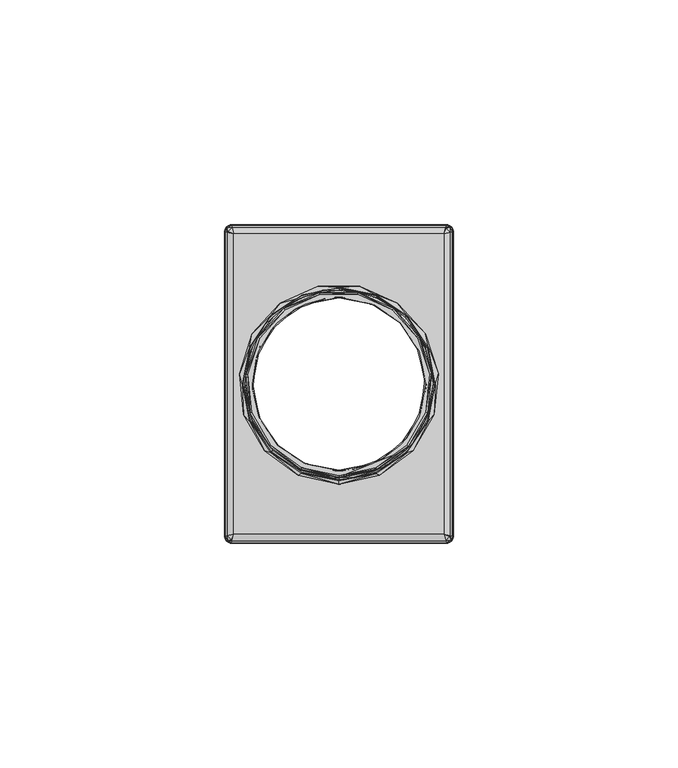
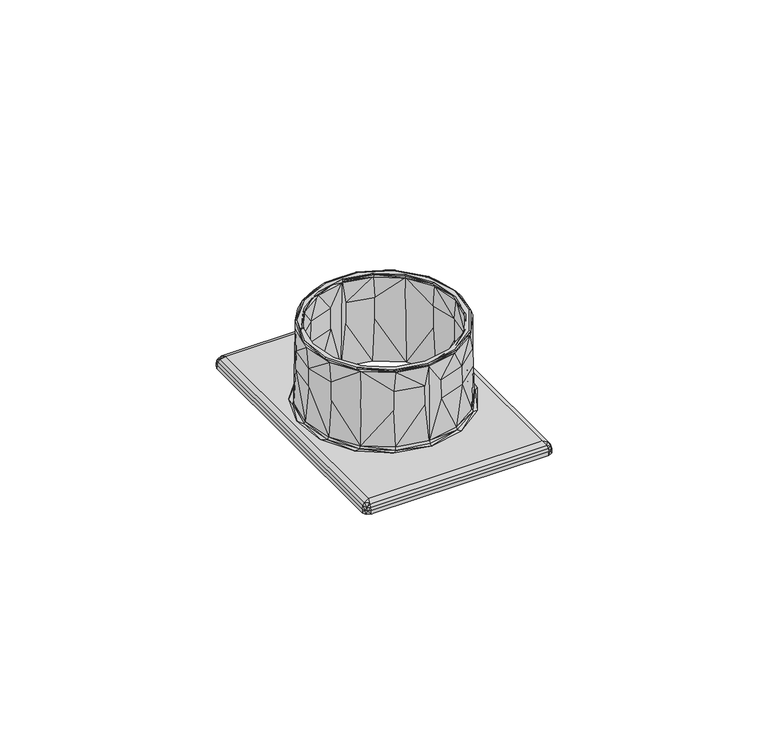
"""IFC4 building model written with IfcOpenShell, lengths in millimetres: furniture geometry."""

from ifc_helpers import new_model, si_unit, origin, place, context, project, spatial, triangles, source, transform, mapped, element, save


def furniture_415d3cbd(model_context):
    return source(origin(), model_context, "Body", "Tessellation", [
        triangles([(3385.8408351, 3217.050101, 765.1670305), (3385.8408351, 3217.0411626, 765.5000044), (3388.9578323, 3217.3061174, 765.0710335), (3393.2148399, 3218.5071342, 765.5000044), (3395.5578473, 3219.6821351, 765.0710335), (3399.4668384, 3222.6831147, 765.5000044), (3400.8688422, 3224.2641229, 765.0710335), (3403.646834, 3228.9330966, 765.5000044), (3404.188843, 3230.4431062, 765.0710335), (3405.1168387, 3236.3071378, 765.5000044), (3405.0748355, 3237.4021291, 765.0710335), (3403.6538466, 3243.6831411, 765.5000044), (3403.4118374, 3244.2161027, 765.0710335), (3399.4808455, 3249.9381372, 765.5000044), (3399.4188398, 3249.9841373, 765.0710335), (3393.6258432, 3253.9391284, 765.0710335), (3399.4588447, 3249.9231671, 764.4999928), (3393.2188367, 3254.097113, 764.4999928), (3386.8008419, 3255.558143, 765.0710335), (3385.8408351, 3255.5761651, 764.8329666), (3385.8408351, 3255.5841588, 765.1670305), (3385.8408351, 3255.5930972, 765.5000044), (3393.2308455, 3254.1201493, 765.5000044), (3385.8408351, 3255.567154, 764.4999928), (3403.6268497, 3243.6801616, 764.4999928), (3405.090841, 3236.3171662, 764.4999928), (3403.6268497, 3228.9540982, 764.4999928), (3399.4588447, 3222.7111653, 764.4999928), (3393.2188367, 3218.5371469, 764.4999928), (3385.8408351, 3217.0671058, 764.4999928), (3385.8408351, 3217.0581674, 764.8329666), (3382.7238378, 3255.3281425, 765.0710335), (3378.4668484, 3254.1271257, 765.5000044), (3376.123841, 3252.9521247, 765.0710335), (3372.2148317, 3249.9511451, 765.5000044), (3370.8128461, 3248.3701369, 765.0710335), (3368.0348362, 3243.7011632, 765.5000044), (3367.4928453, 3242.1911536, 765.0710335), (3366.5648496, 3236.327122, 765.5000044), (3366.6068347, 3235.2321307, 765.0710335), (3368.0278417, 3228.9511188, 765.5000044), (3368.2698327, 3228.4181571, 765.0710335), (3372.2008428, 3222.6961227, 765.5000044), (3372.2628484, 3222.6501226, 765.0710335), (3378.0558451, 3218.6951314, 765.0710335), (3372.2228436, 3222.7111653, 764.4999928), (3378.4628334, 3218.5371469, 764.4999928), (3384.8808464, 3217.0761169, 765.0710335), (3378.4508428, 3218.5141105, 765.5000044), (3368.0548386, 3228.9540982, 764.4999928), (3366.5908473, 3236.3171662, 764.4999928), (3368.0548386, 3243.6801616, 764.4999928), (3372.2228436, 3249.9231671, 764.4999928), (3378.4628334, 3254.097113, 764.4999928), (3411.3408411, 3270.3181432, 740.0000347), (3411.312845, 3270.2901652, 741.0520054), (3411.3408411, 3202.3161166, 740.0000347), (3411.312845, 3202.3441672, 741.0520054), (3377.5368361, 3217.6661245, 765.5000044), (3385.7678381, 3215.5481578, 765.3540104), (3385.8408351, 3215.9011159, 765.5000044), (3394.2548382, 3217.3281364, 765.3540104), (3394.144834, 3217.6661245, 765.5000044), (3401.250832, 3222.3921441, 765.3540104), (3401.0128378, 3222.6561542, 765.5000044), (3405.582835, 3229.8641444, 765.3540104), (3405.2578366, 3230.0081037, 765.5000044), (3406.5008385, 3238.4511203, 765.3540104), (3406.1448465, 3238.4511203, 765.5000044), (3403.8458407, 3246.670168, 765.3540104), (3403.5218416, 3246.5251187, 765.5000044), (3398.0788417, 3253.0981187, 765.3540104), (3397.8408475, 3252.8341087, 765.5000044), (3390.1948389, 3256.6251563, 765.3540104), (3390.0858339, 3256.2871682, 765.5000044), (3381.5588472, 3256.6401263, 765.3540104), (3381.5958362, 3256.2871682, 765.5000044), (3373.6628357, 3253.1411393, 765.3540104), (3373.8408408, 3252.8341087, 765.5000044), (3367.8728366, 3246.7341176, 765.3540104), (3368.1598467, 3246.5251187, 765.5000044), (3365.1888435, 3238.5250983, 765.3540104), (3365.5368418, 3238.4511203, 765.5000044), (3366.0768343, 3229.9341256, 765.3540104), (3366.4238335, 3230.0081037, 765.5000044), (3370.3818404, 3222.4471553, 765.3540104), (3370.6688324, 3222.6561542, 765.5000044), (3377.3598484, 3217.3581491, 765.3540104), (3377.836836, 3216.9931277, 765.0089733), (3385.8408351, 3215.4011464, 765.0089733), (3393.8448341, 3216.9931277, 765.0089733), (3400.630848, 3221.5271533, 765.0089733), (3405.1648372, 3228.313149, 765.0089733), (3406.7568367, 3236.3171662, 765.0089733), (3405.1648372, 3244.3211108, 765.0089733), (3400.630848, 3251.1071065, 765.0089733), (3393.8448341, 3255.6411321, 765.0089733), (3385.8408351, 3257.2331134, 765.0089733), (3377.836836, 3255.6411321, 765.0089733), (3371.0508403, 3251.1071065, 765.0089733), (3366.5168329, 3244.3211108, 765.0089733), (3364.9248334, 3236.3171662, 765.0089733), (3366.5168329, 3228.313149, 765.0089733), (3371.0508403, 3221.5271533, 765.0089733), (3385.8408351, 3257.4160964, 754.4960249), (3385.8408351, 3257.6000968, 743.9830038), (3382.4278348, 3257.1381337, 754.4960249), (3377.695838, 3255.9801376, 743.9830038), (3375.1988429, 3254.5361123, 754.4960249), (3370.7918445, 3251.3661023, 743.9830038), (3369.381847, 3249.5181047, 754.4960249), (3366.1778456, 3244.4621633, 743.9830038), (3365.7458407, 3242.7501311, 754.4960249), (3364.5578318, 3236.3171662, 743.9830038), (3364.7748426, 3235.1291574, 754.4960249), (3366.1778456, 3228.1720966, 743.9830038), (3366.5968425, 3227.6661681, 754.4960249), (3370.7918445, 3221.2681575, 743.9830038), (3370.9698496, 3221.3491119, 754.4960249), (3377.3148475, 3217.0171088, 754.4960249), (3377.3518365, 3217.1011153, 759.7520267), (3371.0348347, 3221.4141515, 759.7520267), (3384.7948415, 3215.3351621, 759.7520267), (3385.8408351, 3215.2181634, 754.4960249), (3384.7898454, 3215.2441066, 754.4960249), (3385.8408351, 3215.034163, 743.9830038), (3377.695838, 3216.6541223, 743.9830038), (3366.680849, 3227.7031572, 759.7520267), (3364.8668428, 3235.1340989, 759.7520267), (3365.8338441, 3242.7221532, 759.7520267), (3369.4528455, 3249.4611314, 759.7520267), (3375.244843, 3254.4571201, 759.7520267), (3382.4418419, 3257.0480956, 759.7520267), (3389.2538353, 3215.4961261, 754.4960249), (3393.9858321, 3216.6541223, 743.9830038), (3396.4828454, 3218.0981475, 754.4960249), (3400.8898438, 3221.2681575, 743.9830038), (3402.2998413, 3223.1161552, 754.4960249), (3405.5038427, 3228.1720966, 743.9830038), (3405.9358476, 3229.8841287, 754.4960249), (3407.1238383, 3236.3171662, 743.9830038), (3406.9068457, 3237.5051025, 754.4960249), (3405.5038427, 3244.4621633, 743.9830038), (3405.0848457, 3244.9681644, 754.4960249), (3400.8898438, 3251.3661023, 743.9830038), (3400.7118387, 3251.285148, 754.4960249), (3394.3668408, 3255.617151, 754.4960249), (3394.3298336, 3255.5331445, 759.7520267), (3400.6468354, 3251.2201083, 759.7520267), (3386.8868468, 3257.2990977, 759.7520267), (3386.8918429, 3257.3901532, 754.4960249), (3393.9858321, 3255.9801376, 743.9830038), (3405.0008392, 3244.9311027, 759.7520267), (3406.8148455, 3237.5001609, 759.7520267), (3405.8478442, 3229.9121066, 759.7520267), (3402.2288427, 3223.1731284, 759.7520267), (3396.4368453, 3218.1771398, 759.7520267), (3389.2398463, 3215.5861642, 759.7520267), (3394.9038356, 3215.9611413, 742.9999969), (3394.0628441, 3216.3691106, 743.2930023), (3385.8408351, 3214.0341514, 742.9999969), (3385.8408351, 3214.7411576, 743.2930023), (3377.549844, 3216.3981059, 743.2930023), (3401.0708466, 3221.0341602, 743.2930023), (3402.3998352, 3221.4071025, 742.9999969), (3405.7598409, 3228.0261026, 743.2930023), (3407.0328373, 3229.431104, 742.9999969), (3407.4168437, 3236.2801046, 743.2930023), (3408.001837, 3238.6461665, 742.9999969), (3405.7888362, 3244.5391208, 743.2930023), (3405.1378403, 3247.4581287, 742.9999969), (3401.1238412, 3251.5471233, 743.2930023), (3398.9378372, 3254.3441182, 742.9999969), (3394.1318442, 3256.2361539, 743.2930023), (3390.4738372, 3258.1131469, 742.9999969), (3385.9168479, 3257.8921575, 743.2930023), (3381.207833, 3258.1131469, 742.9999969), (3372.7438329, 3254.3441182, 742.9999969), (3366.543848, 3247.4581287, 742.9999969), (3370.6108417, 3251.6000997, 743.2930023), (3377.6188442, 3256.2651492, 743.2930023), (3365.9218474, 3244.6081573, 743.2930023), (3363.6798331, 3238.6461665, 742.9999969), (3364.2648446, 3236.3541553, 743.2930023), (3364.6488328, 3229.431104, 742.9999969), (3365.8928339, 3228.095139, 743.2930023), (3369.2818349, 3221.4071025, 742.9999969), (3370.5578471, 3221.0871366, 743.2930023), (3376.7778345, 3215.9611413, 742.9999969), (3411.1118398, 3271.0391021, 741.0669754), (3411.1418343, 3270.2471446, 741.8109707), (3410.6768373, 3271.27012, 741.8289928), (3410.6988381, 3270.1361049, 742.4429815), (3409.8268346, 3270.9550956, 742.6080151), (3409.3138391, 3269.7901231, 742.9999969), (3409.659839, 3271.1751403, 742.4429815), (3409.7708424, 3271.6181365, 741.8109707), (3410.5628362, 3271.5881238, 741.0669754), (3409.8138449, 3271.789129, 741.0520054), (3362.3678492, 3202.8441367, 742.9999969), (3362.0218493, 3201.4591195, 742.4429815), (3409.3138391, 3202.8441367, 742.9999969), (3409.659839, 3201.4591195, 742.4429815), (3409.7708424, 3201.0161233, 741.8109707), (3361.9108459, 3201.0161233, 741.8109707), (3409.8138449, 3200.8451308, 741.0520054), (3361.8678434, 3200.8451308, 741.0520054), (3362.3678492, 3269.7901231, 742.9999969), (3360.3688433, 3202.3441672, 741.0520054), (3360.5698485, 3201.5951577, 741.0669754), (3360.5398358, 3202.3871152, 741.8109707), (3361.0048329, 3201.3641399, 741.8289928), (3360.982832, 3202.4981549, 742.4429815), (3361.8548355, 3201.6791642, 742.6080151), (3361.1188339, 3201.046136, 741.0669754), (3393.3148338, 3218.306129, 764.4999928), (3385.8408351, 3216.817121, 764.4999928), (3378.3668363, 3218.306129, 764.4999928), (3372.0458377, 3222.5351586, 764.4999928), (3367.8238389, 3228.8591186, 764.4999928), (3366.3408444, 3236.3171662, 764.4999928), (3367.8238389, 3243.7751413, 764.4999928), (3372.0458377, 3250.0991012, 764.4999928), (3378.3668363, 3254.3281308, 764.4999928), (3385.8408351, 3255.8171388, 764.4999928), (3393.3148338, 3254.3281308, 764.4999928), (3399.6358324, 3250.0991012, 764.4999928), (3403.8578494, 3243.7751413, 764.4999928), (3405.3408439, 3236.3171662, 764.4999928), (3403.8578494, 3228.8591186, 764.4999928), (3399.6358324, 3222.5351586, 764.4999928), (3378.2038376, 3254.7231649, 740.0000347), (3361.8398473, 3271.8171069, 740.0000347), (3385.8408351, 3256.245165, 740.0000347), (3409.841841, 3271.8171069, 740.0000347), (3393.4778326, 3254.7231649, 740.0000347), (3399.9378489, 3250.402135, 740.0000347), (3404.2528471, 3243.9391574, 740.0000347), (3405.7688338, 3236.3171662, 740.0000347), (3404.2528471, 3228.6951024, 740.0000347), (3399.9378489, 3222.2321248, 740.0000347), (3409.841841, 3200.8171529, 740.0000347), (3393.4778326, 3217.9111676, 740.0000347), (3385.8408351, 3216.3891675, 740.0000347), (3361.8398473, 3200.8171529, 740.0000347), (3378.2038376, 3217.9111676, 740.0000347), (3371.7438394, 3222.2321248, 740.0000347), (3360.3408472, 3202.3161166, 740.0000347), (3367.4288412, 3228.6951024, 740.0000347), (3365.9128363, 3236.3171662, 740.0000347), (3360.3408472, 3270.3181432, 740.0000347), (3367.4288412, 3243.9391574, 740.0000347), (3371.7438394, 3250.402135, 740.0000347), (3410.9018417, 3201.2561523, 740.0000347), (3360.7798466, 3201.2561523, 740.0000347), (3360.7798466, 3271.3781076, 740.0000347), (3410.9018417, 3271.3781076, 740.0000347), (3411.1418343, 3202.3871152, 741.8109707), (3410.6988381, 3202.4981549, 742.4429815), (3410.5628362, 3201.046136, 741.0669754), (3410.7938359, 3201.4811385, 741.8289928), (3410.4788479, 3202.3311593, 742.6080151), (3411.1118398, 3201.5951577, 741.0669754), (3360.3688433, 3270.2901652, 741.0520054), (3360.5698485, 3271.0391021, 741.0669754), (3361.1188339, 3271.5881238, 741.0669754), (3361.8678434, 3271.789129, 741.0520054), (3361.9108459, 3271.6181365, 741.8109707), (3360.8878342, 3271.1531213, 741.8289928), (3362.0218493, 3271.1751403, 742.4429815), (3361.2028404, 3270.3031005, 742.6080151), (3360.982832, 3270.1361049, 742.4429815), (3360.5398358, 3270.2471446, 741.8109707), (3385.8408351, 3216.6031079, 752.2500137), (3389.0128435, 3216.9681293, 758.3750032), (3395.729839, 3219.3871677, 758.3750032), (3401.1358317, 3224.0501098, 758.3750032), (3404.5138414, 3230.3391154, 758.3750032), (3405.4168386, 3237.421096, 758.3750032), (3403.723846, 3244.3561378, 758.3750032), (3399.6598317, 3250.2261283, 758.3750032), (3393.7638435, 3254.252118, 758.3750032), (3393.8068459, 3254.3501498, 752.2500137), (3399.7348453, 3250.3021411, 752.2500137), (3386.8228427, 3256.0061534, 752.2500137), (3385.8408351, 3256.0311519, 752.2500137), (3386.8178466, 3255.9001279, 758.3750032), (3403.8208422, 3244.4001031, 752.2500137), (3405.5238451, 3237.4271276, 752.2500137), (3404.6158337, 3230.3061233, 752.2500137), (3401.2198382, 3223.9831081, 752.2500137), (3395.7838328, 3219.2941501, 752.2500137), (3389.0298483, 3216.8631211, 752.2500137), (3382.6688448, 3255.6661306, 758.3750032), (3375.9518493, 3253.2471648, 758.3750032), (3370.5458384, 3248.58415, 758.3750032), (3367.1678469, 3242.2951444, 758.3750032), (3366.2648497, 3235.2131639, 758.3750032), (3367.9578423, 3228.2781221, 758.3750032), (3372.0218384, 3222.4081315, 758.3750032), (3377.9178448, 3218.3821418, 758.3750032), (3377.8748424, 3218.28411, 752.2500137), (3371.946843, 3222.3321187, 752.2500137), (3384.8588456, 3216.6281064, 752.2500137), (3384.8638416, 3216.7341319, 758.3750032), (3367.8608461, 3228.2341567, 752.2500137), (3366.1578432, 3235.2071323, 752.2500137), (3367.0658364, 3242.3281366, 752.2500137), (3370.4618319, 3248.6511518, 752.2500137), (3375.8978373, 3253.3401097, 752.2500137), (3382.65184, 3255.7711387, 752.2500137)], [[3, 1, 2], [4, 3, 2], [3, 4, 5], [6, 5, 4], [5, 6, 7], [8, 7, 6], [7, 8, 9], [10, 9, 8], [9, 10, 11], [12, 11, 10], [11, 12, 13], [14, 13, 12], [13, 14, 15], [16, 15, 14], [17, 15, 16], [17, 16, 18], [19, 18, 16], [18, 19, 20], [20, 19, 21], [22, 21, 19], [22, 19, 23], [16, 23, 19], [23, 16, 14], [20, 24, 18], [15, 17, 13], [25, 13, 17], [13, 25, 11], [26, 11, 25], [11, 26, 9], [27, 9, 26], [9, 27, 7], [28, 7, 27], [7, 28, 5], [29, 5, 28], [5, 29, 3], [30, 3, 29], [3, 30, 31], [31, 1, 3], [32, 21, 22], [33, 32, 22], [32, 33, 34], [35, 34, 33], [34, 35, 36], [37, 36, 35], [36, 37, 38], [39, 38, 37], [38, 39, 40], [41, 40, 39], [40, 41, 42], [43, 42, 41], [42, 43, 44], [45, 44, 43], [46, 44, 45], [46, 45, 47], [48, 47, 45], [47, 48, 31], [31, 48, 1], [2, 1, 48], [2, 48, 49], [45, 49, 48], [49, 45, 43], [31, 30, 47], [44, 46, 42], [50, 42, 46], [42, 50, 40], [51, 40, 50], [40, 51, 38], [52, 38, 51], [38, 52, 36], [53, 36, 52], [36, 53, 34], [54, 34, 53], [34, 54, 32], [24, 32, 54], [32, 24, 20], [20, 21, 32], [55, 56, 57], [57, 56, 58], [59, 60, 61], [62, 61, 60], [61, 62, 63], [64, 63, 62], [63, 64, 65], [66, 65, 64], [65, 66, 67], [68, 67, 66], [67, 68, 69], [70, 69, 68], [69, 70, 71], [72, 71, 70], [71, 72, 73], [74, 73, 72], [73, 74, 75], [76, 75, 74], [75, 76, 77], [78, 77, 76], [77, 78, 79], [80, 79, 78], [79, 80, 81], [82, 81, 80], [81, 82, 83], [84, 83, 82], [83, 84, 85], [86, 85, 84], [85, 86, 87], [88, 87, 86], [87, 88, 59], [60, 59, 88], [89, 90, 60], [60, 90, 91], [60, 91, 92], [93, 64, 92], [62, 92, 64], [92, 62, 60], [64, 93, 66], [94, 66, 93], [66, 94, 68], [95, 68, 94], [68, 95, 70], [96, 70, 95], [70, 96, 72], [97, 72, 96], [72, 97, 74], [98, 74, 97], [74, 98, 76], [99, 76, 98], [76, 99, 78], [100, 78, 99], [78, 100, 80], [101, 80, 100], [80, 101, 82], [102, 82, 101], [82, 102, 84], [103, 84, 102], [84, 103, 86], [104, 86, 103], [86, 104, 88], [89, 88, 104], [88, 89, 60], [107, 105, 106], [107, 106, 108], [107, 108, 109], [109, 108, 110], [109, 110, 111], [111, 110, 112], [111, 112, 113], [113, 112, 114], [113, 114, 115], [115, 114, 116], [115, 116, 117], [117, 116, 118], [117, 118, 119], [120, 119, 118], [119, 120, 121], [119, 121, 122], [104, 122, 121], [104, 121, 89], [89, 121, 123], [89, 123, 90], [90, 123, 124], [124, 123, 125], [126, 124, 125], [126, 125, 127], [127, 125, 120], [127, 120, 118], [122, 104, 128], [128, 104, 103], [128, 103, 129], [129, 103, 102], [129, 102, 130], [130, 102, 101], [130, 101, 131], [131, 101, 100], [131, 100, 132], [132, 100, 99], [132, 99, 133], [133, 99, 98], [105, 133, 98], [133, 105, 107], [132, 133, 107], [132, 107, 109], [121, 120, 125], [121, 125, 123], [117, 119, 122], [117, 122, 128], [115, 117, 128], [115, 128, 129], [113, 115, 129], [113, 129, 130], [132, 109, 111], [132, 111, 131], [131, 111, 113], [131, 113, 130], [134, 124, 126], [134, 126, 135], [134, 135, 136], [136, 135, 137], [136, 137, 138], [138, 137, 139], [138, 139, 140], [140, 139, 141], [140, 141, 142], [142, 141, 143], [142, 143, 144], [144, 143, 145], [144, 145, 146], [147, 146, 145], [146, 147, 148], [146, 148, 149], [96, 149, 148], [96, 148, 97], [97, 148, 150], [97, 150, 98], [98, 150, 105], [105, 150, 151], [106, 105, 151], [106, 151, 152], [152, 151, 147], [152, 147, 145], [149, 96, 153], [153, 96, 95], [153, 95, 154], [154, 95, 94], [154, 94, 155], [155, 94, 93], [155, 93, 156], [156, 93, 92], [156, 92, 157], [157, 92, 91], [157, 91, 158], [158, 91, 90], [124, 158, 90], [158, 124, 134], [157, 158, 134], [157, 134, 136], [148, 147, 151], [148, 151, 150], [144, 146, 149], [144, 149, 153], [142, 144, 153], [142, 153, 154], [140, 142, 154], [140, 154, 155], [157, 136, 138], [157, 138, 156], [156, 138, 140], [156, 140, 155], [23, 75, 22], [77, 22, 75], [22, 77, 33], [79, 33, 77], [33, 79, 35], [81, 35, 79], [35, 81, 37], [83, 37, 81], [37, 83, 39], [85, 39, 83], [39, 85, 41], [87, 41, 85], [41, 87, 43], [59, 43, 87], [43, 59, 49], [61, 49, 59], [49, 61, 2], [4, 2, 61], [63, 4, 61], [4, 63, 6], [65, 6, 63], [6, 65, 8], [67, 8, 65], [8, 67, 10], [69, 10, 67], [10, 69, 12], [71, 12, 69], [12, 71, 14], [73, 14, 71], [14, 73, 23], [75, 23, 73], [159, 160, 161], [161, 160, 162], [161, 162, 163], [163, 162, 127], [163, 127, 118], [160, 159, 164], [165, 164, 159], [164, 165, 166], [167, 166, 165], [166, 167, 168], [169, 168, 167], [168, 169, 170], [171, 170, 169], [170, 171, 172], [173, 172, 171], [172, 173, 174], [175, 174, 173], [174, 175, 176], [177, 176, 175], [176, 177, 178], [179, 180, 178], [181, 178, 180], [178, 181, 176], [176, 181, 106], [176, 106, 152], [180, 179, 182], [183, 182, 179], [182, 183, 184], [185, 184, 183], [184, 185, 186], [187, 186, 185], [186, 187, 188], [189, 188, 187], [188, 189, 163], [161, 163, 189], [127, 162, 126], [126, 162, 160], [126, 160, 135], [164, 135, 160], [135, 164, 137], [166, 137, 164], [137, 166, 139], [168, 139, 166], [139, 168, 141], [170, 141, 168], [141, 170, 143], [172, 143, 170], [143, 172, 145], [174, 145, 172], [145, 174, 152], [176, 152, 174], [163, 118, 188], [188, 118, 116], [188, 116, 186], [186, 116, 114], [186, 114, 184], [184, 114, 112], [184, 112, 182], [182, 112, 110], [182, 110, 180], [180, 110, 108], [180, 108, 181], [181, 108, 106], [56, 190, 191], [191, 190, 192], [191, 192, 193], [193, 192, 194], [193, 194, 195], [195, 194, 196], [196, 194, 192], [196, 192, 197], [197, 192, 198], [197, 198, 199], [190, 198, 192], [202, 200, 201], [203, 202, 201], [204, 203, 201], [204, 201, 205], [206, 204, 205], [206, 205, 207], [200, 183, 208], [208, 183, 179], [208, 179, 178], [202, 161, 200], [200, 161, 189], [200, 189, 187], [195, 169, 202], [202, 169, 167], [202, 167, 165], [208, 175, 195], [195, 175, 173], [195, 173, 171], [200, 187, 185], [200, 185, 183], [208, 178, 177], [208, 177, 175], [195, 171, 169], [165, 159, 202], [202, 159, 161], [209, 210, 211], [211, 210, 212], [211, 212, 213], [213, 212, 214], [213, 214, 200], [200, 214, 201], [201, 214, 212], [201, 212, 205], [205, 212, 215], [205, 215, 207], [210, 215, 212], [216, 217, 30], [218, 30, 217], [30, 218, 47], [219, 47, 218], [47, 219, 46], [220, 46, 219], [46, 220, 50], [221, 50, 220], [50, 221, 51], [52, 51, 221], [222, 52, 221], [53, 52, 222], [223, 53, 222], [54, 53, 223], [224, 54, 223], [24, 54, 224], [225, 24, 224], [226, 24, 225], [24, 226, 18], [227, 18, 226], [18, 227, 17], [228, 17, 227], [17, 228, 25], [229, 25, 228], [25, 229, 26], [27, 26, 229], [230, 27, 229], [28, 27, 230], [231, 28, 230], [29, 28, 231], [216, 29, 231], [30, 29, 216], [234, 232, 233], [235, 234, 233], [234, 235, 236], [236, 235, 237], [237, 235, 55], [238, 237, 55], [239, 238, 55], [57, 239, 55], [239, 57, 240], [240, 57, 241], [241, 57, 242], [241, 242, 243], [244, 243, 242], [245, 244, 242], [244, 245, 246], [246, 245, 247], [247, 245, 248], [249, 247, 248], [250, 249, 248], [251, 250, 248], [250, 251, 252], [252, 251, 253], [253, 251, 233], [253, 233, 232], [57, 254, 242], [245, 255, 248], [251, 256, 233], [235, 257, 55], [56, 191, 58], [58, 191, 258], [258, 191, 259], [259, 191, 193], [259, 193, 195], [195, 202, 259], [206, 260, 204], [204, 260, 261], [204, 261, 203], [203, 261, 262], [203, 262, 202], [202, 262, 259], [259, 262, 261], [259, 261, 258], [258, 261, 263], [258, 263, 58], [260, 263, 261], [251, 264, 265], [251, 265, 256], [256, 265, 266], [256, 266, 233], [233, 266, 267], [267, 266, 268], [268, 266, 269], [268, 269, 270], [270, 269, 271], [270, 271, 208], [208, 271, 272], [272, 271, 269], [272, 269, 273], [273, 269, 265], [273, 265, 264], [266, 265, 269], [199, 267, 197], [197, 267, 268], [197, 268, 196], [196, 268, 270], [196, 270, 208], [208, 195, 196], [233, 267, 199], [233, 199, 235], [235, 199, 198], [235, 198, 257], [257, 198, 190], [257, 190, 55], [55, 190, 56], [57, 58, 263], [57, 263, 254], [254, 263, 260], [254, 260, 242], [242, 260, 206], [206, 207, 245], [242, 206, 245], [264, 209, 273], [273, 209, 211], [273, 211, 272], [272, 211, 213], [272, 213, 200], [200, 208, 272], [248, 209, 264], [248, 264, 251], [245, 207, 215], [245, 215, 255], [255, 215, 210], [255, 210, 248], [248, 210, 209], [274, 217, 275], [275, 217, 216], [275, 216, 276], [276, 216, 231], [276, 231, 277], [277, 231, 230], [277, 230, 278], [278, 230, 229], [278, 229, 279], [279, 229, 228], [279, 228, 280], [280, 228, 227], [280, 227, 281], [282, 281, 227], [281, 282, 283], [281, 283, 284], [237, 284, 283], [237, 283, 236], [236, 283, 285], [236, 285, 234], [234, 285, 286], [286, 285, 287], [286, 287, 225], [225, 287, 226], [226, 287, 282], [226, 282, 227], [284, 237, 288], [288, 237, 238], [288, 238, 289], [289, 238, 239], [289, 239, 290], [290, 239, 240], [290, 240, 291], [291, 240, 241], [291, 241, 292], [292, 241, 243], [292, 243, 293], [293, 243, 244], [293, 244, 274], [293, 274, 275], [282, 287, 285], [282, 285, 283], [280, 281, 284], [280, 284, 288], [279, 280, 288], [279, 288, 289], [278, 279, 289], [278, 289, 290], [277, 278, 290], [277, 290, 291], [293, 275, 276], [293, 276, 292], [292, 276, 277], [292, 277, 291], [286, 225, 294], [294, 225, 224], [294, 224, 295], [295, 224, 223], [295, 223, 296], [296, 223, 222], [296, 222, 297], [297, 222, 221], [297, 221, 298], [298, 221, 220], [298, 220, 299], [299, 220, 219], [299, 219, 300], [301, 300, 219], [300, 301, 302], [300, 302, 303], [247, 303, 302], [247, 302, 246], [246, 302, 304], [246, 304, 244], [244, 304, 274], [274, 304, 305], [274, 305, 217], [217, 305, 218], [218, 305, 301], [218, 301, 219], [303, 247, 306], [306, 247, 249], [306, 249, 307], [307, 249, 250], [307, 250, 308], [308, 250, 252], [308, 252, 309], [309, 252, 253], [309, 253, 310], [310, 253, 232], [310, 232, 311], [311, 232, 234], [311, 234, 286], [311, 286, 294], [301, 305, 304], [301, 304, 302], [299, 300, 303], [299, 303, 306], [298, 299, 306], [298, 306, 307], [297, 298, 307], [297, 307, 308], [296, 297, 308], [296, 308, 309], [311, 294, 295], [311, 295, 310], [310, 295, 296], [310, 296, 309]]),
    ])


if __name__ == "__main__":
    model = new_model("IFC4")
    model_context = context("Model", 3, world=origin())
    ifc_project = project(units=[si_unit("LENGTHUNIT", "METRE", prefix="MILLI")], contexts=[model_context])
    site = spatial("IfcSite", under=ifc_project)
    building = spatial("IfcBuilding", under=site)
    placement = place(None, origin())
    furniture_shape = furniture_415d3cbd(model_context)
    element("IfcFurniture", 1, at=placement, inside=building, context=model_context, shape_type="MappedRepresentation", body=[
        mapped(furniture_shape, transform((0.0, 0.0, 0.0), x_axis=(1.0, 0.0, 0.0), y_axis=(0.0, 1.0, 0.0), z_axis=(0.0, 0.0, 1.0))),
    ])
    save(model, "model.ifc")
